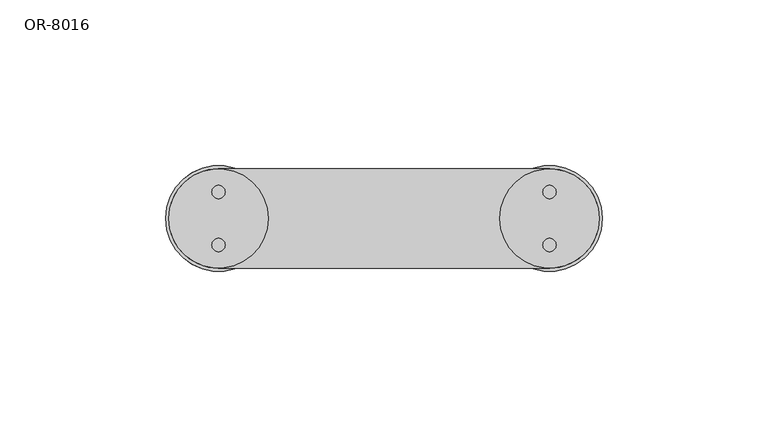
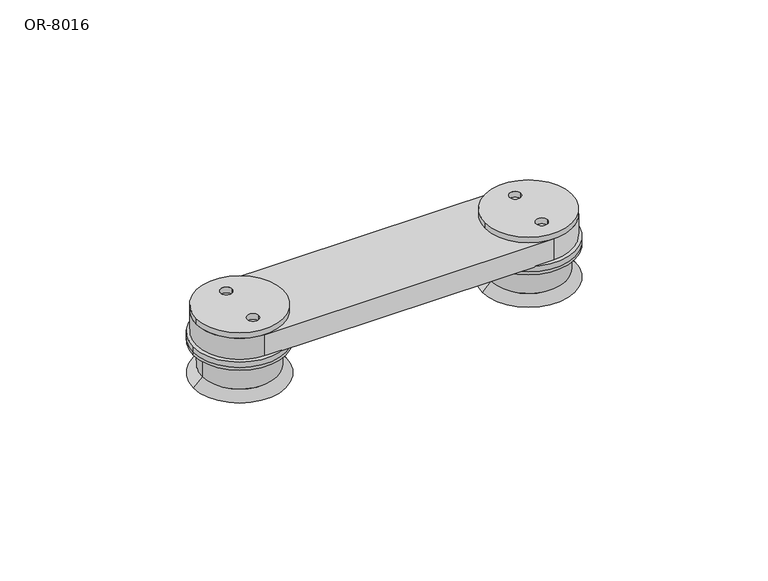
"""IFC4 building model written with IfcOpenShell, lengths in millimetres: proxy geometry, OR-8016."""

from ifc_helpers import new_model, si_unit, point, frame, frame_2d, origin, place, context, project, spatial, polyline, circle_curve, trimmed, segment, composite_curve, outline, extrude, source, transform, mapped, element, save
from ifc_brep_helpers import plane_surface, cylinder_surface, revolved_surface, advanced_brep


def or_8016_feafe27d(model_context):
    return source(origin(), model_context, "Body", "SolidModel", [
        extrude(outline(composite_curve([segment(trimmed(circle_curve(frame_2d((-50.0, 0.0)), 12.0), [point((-50.0, -12.0))], [point((-50.0, 12.0))], False, "CARTESIAN"), True, "CONTINUOUS"), segment(trimmed(circle_curve(frame_2d((-50.0, 0.0)), 12.0), [point((-50.0, 12.0))], [point((-50.0, -12.0))], False, "CARTESIAN"), True, "CONTINUOUS")], self_intersect=False), holes=[composite_curve([segment(trimmed(circle_curve(frame_2d((-50.0, 8.0)), 2.0), [point((-52.0, 8.0))], [point((-48.0, 8.0))], True, "CARTESIAN"), True, "CONTINUOUS"), segment(trimmed(circle_curve(frame_2d((-50.0, 8.0)), 2.0), [point((-48.0, 8.0))], [point((-52.0, 8.0))], True, "CARTESIAN"), True, "CONTINUOUS")], self_intersect=False), composite_curve([segment(trimmed(circle_curve(frame_2d((-50.0, -8.0)), 2.0), [point((-52.0, -8.0))], [point((-48.0, -8.0))], True, "CARTESIAN"), True, "CONTINUOUS"), segment(trimmed(circle_curve(frame_2d((-50.0, -8.0)), 2.0), [point((-48.0, -8.0))], [point((-52.0, -8.0))], True, "CARTESIAN"), True, "CONTINUOUS")], self_intersect=False)]), frame((0.0, 0.0, -12.0), z_axis=(0.0, 0.0, 1.0), x_axis=(1.0, 0.0, 0.0)), (0.0, 0.0, 1.0), 3.0),
        extrude(outline(composite_curve([segment(trimmed(circle_curve(frame_2d((50.0, 0.0)), 12.0), [point((50.0, -12.0))], [point((50.0, 12.0))], False, "CARTESIAN"), True, "CONTINUOUS"), segment(trimmed(circle_curve(frame_2d((50.0, 0.0)), 12.0), [point((50.0, 12.0))], [point((50.0, -12.0))], False, "CARTESIAN"), True, "CONTINUOUS")], self_intersect=False), holes=[composite_curve([segment(trimmed(circle_curve(frame_2d((50.0, 8.0)), 2.0), [point((48.0, 8.0))], [point((52.0, 8.0))], True, "CARTESIAN"), True, "CONTINUOUS"), segment(trimmed(circle_curve(frame_2d((50.0, 8.0)), 2.0), [point((52.0, 8.0))], [point((48.0, 8.0))], True, "CARTESIAN"), True, "CONTINUOUS")], self_intersect=False), composite_curve([segment(trimmed(circle_curve(frame_2d((50.0, -8.0)), 2.0), [point((48.0, -8.0))], [point((52.0, -8.0))], True, "CARTESIAN"), True, "CONTINUOUS"), segment(trimmed(circle_curve(frame_2d((50.0, -8.0)), 2.0), [point((52.0, -8.0))], [point((48.0, -8.0))], True, "CARTESIAN"), True, "CONTINUOUS")], self_intersect=False)]), frame((0.0, 0.0, -12.0), z_axis=(0.0, 0.0, 1.0), x_axis=(1.0, 0.0, 0.0)), (0.0, 0.0, 1.0), 3.0),
        extrude(outline(composite_curve([segment(trimmed(circle_curve(frame_2d((-50.0, 0.0)), 16.0), [point((-66.0, 0.0))], [point((-34.0, 0.0))], False, "CARTESIAN"), True, "CONTINUOUS"), segment(trimmed(circle_curve(frame_2d((-50.0, 0.0)), 16.0), [point((-34.0, 0.0))], [point((-66.0, 0.0))], False, "CARTESIAN"), True, "CONTINUOUS")], self_intersect=False), holes=[composite_curve([segment(trimmed(circle_curve(frame_2d((-50.0, 8.0)), 2.0), [point((-52.0, 8.0))], [point((-48.0, 8.0))], True, "CARTESIAN"), True, "CONTINUOUS"), segment(trimmed(circle_curve(frame_2d((-50.0, 8.0)), 2.0), [point((-48.0, 8.0))], [point((-52.0, 8.0))], True, "CARTESIAN"), True, "CONTINUOUS")], self_intersect=False), composite_curve([segment(trimmed(circle_curve(frame_2d((-50.0, -8.0)), 2.0), [point((-52.0, -8.0))], [point((-48.0, -8.0))], True, "CARTESIAN"), True, "CONTINUOUS"), segment(trimmed(circle_curve(frame_2d((-50.0, -8.0)), 2.0), [point((-48.0, -8.0))], [point((-52.0, -8.0))], True, "CARTESIAN"), True, "CONTINUOUS")], self_intersect=False)]), frame((0.0, 0.0, 1.0), z_axis=(0.0, 0.0, 1.0), x_axis=(1.0, 0.0, 0.0)), (0.0, 0.0, 1.0), 2.0),
        extrude(outline(composite_curve([segment(trimmed(circle_curve(frame_2d((50.0, 0.0)), 16.0), [point((34.0, 0.0))], [point((66.0, 0.0))], False, "CARTESIAN"), True, "CONTINUOUS"), segment(trimmed(circle_curve(frame_2d((50.0, 0.0)), 16.0), [point((66.0, 0.0))], [point((34.0, 0.0))], False, "CARTESIAN"), True, "CONTINUOUS")], self_intersect=False), holes=[composite_curve([segment(trimmed(circle_curve(frame_2d((50.0, 8.0)), 2.0), [point((48.0, 8.0))], [point((52.0, 8.0))], True, "CARTESIAN"), True, "CONTINUOUS"), segment(trimmed(circle_curve(frame_2d((50.0, 8.0)), 2.0), [point((52.0, 8.0))], [point((48.0, 8.0))], True, "CARTESIAN"), True, "CONTINUOUS")], self_intersect=False), composite_curve([segment(trimmed(circle_curve(frame_2d((50.0, -8.0)), 2.0), [point((48.0, -8.0))], [point((52.0, -8.0))], True, "CARTESIAN"), True, "CONTINUOUS"), segment(trimmed(circle_curve(frame_2d((50.0, -8.0)), 2.0), [point((52.0, -8.0))], [point((48.0, -8.0))], True, "CARTESIAN"), True, "CONTINUOUS")], self_intersect=False)]), frame((0.0, 0.0, 1.0), z_axis=(0.0, 0.0, 1.0), x_axis=(1.0, 0.0, 0.0)), (0.0, 0.0, 1.0), 2.0),
        extrude(outline(composite_curve([segment(trimmed(circle_curve(frame_2d((-50.0, 0.0)), 15.0), [point((-65.0, 0.0))], [point((-35.0, 0.0))], False, "CARTESIAN"), True, "CONTINUOUS"), segment(trimmed(circle_curve(frame_2d((-50.0, 0.0)), 15.0), [point((-35.0, 0.0))], [point((-65.0, 0.0))], False, "CARTESIAN"), True, "CONTINUOUS")], self_intersect=False), holes=[composite_curve([segment(trimmed(circle_curve(frame_2d((-50.0, 8.0)), 2.0), [point((-52.0, 8.0))], [point((-48.0, 8.0))], True, "CARTESIAN"), True, "CONTINUOUS"), segment(trimmed(circle_curve(frame_2d((-50.0, 8.0)), 2.0), [point((-48.0, 8.0))], [point((-52.0, 8.0))], True, "CARTESIAN"), True, "CONTINUOUS")], self_intersect=False), composite_curve([segment(trimmed(circle_curve(frame_2d((-50.0, -8.0)), 2.0), [point((-52.0, -8.0))], [point((-48.0, -8.0))], True, "CARTESIAN"), True, "CONTINUOUS"), segment(trimmed(circle_curve(frame_2d((-50.0, -8.0)), 2.0), [point((-48.0, -8.0))], [point((-52.0, -8.0))], True, "CARTESIAN"), True, "CONTINUOUS")], self_intersect=False)]), frame((0.0, 0.0, 11.0), z_axis=(0.0, 0.0, 1.0), x_axis=(1.0, 0.0, 0.0)), (0.0, 0.0, 1.0), 2.0),
        extrude(outline(composite_curve([segment(trimmed(circle_curve(frame_2d((50.0, 0.0)), 15.0), [point((35.0, 0.0))], [point((65.0, 0.0))], False, "CARTESIAN"), True, "CONTINUOUS"), segment(trimmed(circle_curve(frame_2d((50.0, 0.0)), 15.0), [point((65.0, 0.0))], [point((35.0, 0.0))], False, "CARTESIAN"), True, "CONTINUOUS")], self_intersect=False), holes=[composite_curve([segment(trimmed(circle_curve(frame_2d((50.0, 8.0)), 2.0), [point((48.0, 8.0))], [point((52.0, 8.0))], True, "CARTESIAN"), True, "CONTINUOUS"), segment(trimmed(circle_curve(frame_2d((50.0, 8.0)), 2.0), [point((52.0, 8.0))], [point((48.0, 8.0))], True, "CARTESIAN"), True, "CONTINUOUS")], self_intersect=False), composite_curve([segment(trimmed(circle_curve(frame_2d((50.0, -8.0)), 2.0), [point((48.0, -8.0))], [point((52.0, -8.0))], True, "CARTESIAN"), True, "CONTINUOUS"), segment(trimmed(circle_curve(frame_2d((50.0, -8.0)), 2.0), [point((52.0, -8.0))], [point((48.0, -8.0))], True, "CARTESIAN"), True, "CONTINUOUS")], self_intersect=False)]), frame((0.0, 0.0, 11.0), z_axis=(0.0, 0.0, 1.0), x_axis=(1.0, 0.0, 0.0)), (0.0, 0.0, 1.0), 2.0),
        extrude(outline(composite_curve([segment(trimmed(circle_curve(frame_2d((-50.0, 0.0)), 15.0), [point((-50.0, -15.0))], [point((-50.0, 15.0))], False, "CARTESIAN"), True, "CONTINUOUS"), segment(polyline([(-50.0, 15.0), (50.0, 15.0)]), True, "CONTINUOUS"), segment(trimmed(circle_curve(frame_2d((50.0, 0.0)), 15.0), [point((50.0, 15.0))], [point((50.0, -15.0))], False, "CARTESIAN"), True, "CONTINUOUS"), segment(polyline([(50.0, -15.0), (-50.0, -15.0)]), True, "CONTINUOUS")], self_intersect=False)), frame((0.0, 0.0, 3.0), z_axis=(0.0, 0.0, 1.0), x_axis=(1.0, 0.0, 0.0)), (0.0, 0.0, 1.0), 8.0),
        advanced_brep(
        [(-66.0, 0.0, 1.0), (-34.0, 0.0, 1.0), (-66.0, 0.0, -12.0), (-34.0, 0.0, -12.0), (-62.0, 0.0, -12.0), (-38.0, 0.0, -12.0), (-66.0, 0.0, 0.0), (-34.0, 0.0, 0.0), (-63.0, 0.0, -9.0), (-37.0, 0.0, -9.0), (-63.0, 0.0, 0.0), (-37.0, 0.0, 0.0), (-62.0, 0.0, -9.0), (-38.0, 0.0, -9.0)],
        [
            (0, 1, circle_curve(frame((-50.0, 0.0, 1.0), z_axis=(0.0, 0.0, 1.0), x_axis=(1.0, 0.0, 0.0)), 16.0)),
            (1, 0, circle_curve(frame((-50.0, 0.0, 1.0), z_axis=(0.0, 0.0, 1.0), x_axis=(1.0, 0.0, 0.0)), 16.0)),
            (2, 3, circle_curve(frame((-50.0, 0.0, -12.0), z_axis=(0.0, 0.0, -1.0), x_axis=(1.0, 0.0, 0.0)), 16.0)),
            (3, 2, circle_curve(frame((-50.0, 0.0, -12.0), z_axis=(0.0, 0.0, -1.0), x_axis=(1.0, 0.0, 0.0)), 16.0)),
            (4, 5, circle_curve(frame((-50.0, 0.0, -12.0), z_axis=(0.0, 0.0, 1.0), x_axis=(1.0, 0.0, 0.0)), 12.0)),
            (5, 4, circle_curve(frame((-50.0, 0.0, -12.0), z_axis=(0.0, 0.0, 1.0), x_axis=(1.0, 0.0, 0.0)), 12.0)),
            (0, 6),
            (6, 7, circle_curve(frame((-50.0, 0.0, 0.0), z_axis=(0.0, 0.0, 1.0), x_axis=(1.0, 0.0, 0.0)), 16.0)),
            (7, 1),
            (7, 6, circle_curve(frame((-50.0, 0.0, 0.0), z_axis=(0.0, 0.0, 1.0), x_axis=(1.0, 0.0, 0.0)), 16.0)),
            (2, 8),
            (8, 9, circle_curve(frame((-50.0, 0.0, -9.0), z_axis=(0.0, 0.0, -1.0), x_axis=(1.0, 0.0, 0.0)), 13.0)),
            (9, 3),
            (9, 8, circle_curve(frame((-50.0, 0.0, -9.0), z_axis=(0.0, 0.0, -1.0), x_axis=(1.0, 0.0, 0.0)), 13.0)),
            (10, 6),
            (7, 11),
            (11, 10, circle_curve(frame((-50.0, 0.0, 0.0), z_axis=(0.0, 0.0, 1.0), x_axis=(1.0, 0.0, 0.0)), 13.0)),
            (10, 11, circle_curve(frame((-50.0, 0.0, 0.0), z_axis=(0.0, 0.0, 1.0), x_axis=(1.0, 0.0, 0.0)), 13.0)),
            (8, 10),
            (11, 9),
            (12, 13, circle_curve(frame((-50.0, 0.0, -9.0), z_axis=(0.0, 0.0, -1.0), x_axis=(1.0, 0.0, 0.0)), 12.0)),
            (13, 12, circle_curve(frame((-50.0, 0.0, -9.0), z_axis=(0.0, 0.0, -1.0), x_axis=(1.0, 0.0, 0.0)), 12.0)),
            (13, 5),
            (4, 12),
        ],
        [
            plane_surface(frame((-34.0, 0.0, 1.0), z_axis=(0.0, 0.0, 1.0), x_axis=(0.0, 1.0, 0.0))),
            plane_surface(frame((-34.0, 0.0, -12.0), z_axis=(0.0, 0.0, -1.0), x_axis=(0.0, -1.0, 0.0))),
            cylinder_surface(frame((-50.0, 0.0, -12.0), z_axis=(0.0, 0.0, 1.0), x_axis=(1.0, 0.0, 0.0)), 16.0),
            revolved_surface(polyline([(-34.0, 0.0, -12.0), (-37.0, 0.0, -9.0)]), (-50.0, 0.0, 2438.4), (0.0, 0.0, 1.0)),
            plane_surface(frame((-50.0, 0.0, 0.0), z_axis=(0.0, 0.0, -1.0), x_axis=(1.0, 0.0, 0.0))),
            cylinder_surface(frame((-50.0, 0.0, 2438.4), z_axis=(0.0, 0.0, 1.0), x_axis=(1.0, 0.0, 0.0)), 13.0),
            plane_surface(frame((-38.0, 0.0, -9.0), z_axis=(0.0, 0.0, -1.0), x_axis=(0.0, 1.0, 0.0))),
            revolved_surface(polyline([(-38.0, 0.0, -9.0), (-38.0, 0.0, -12.0)]), (-50.0, 0.0, -12.0), (0.0, 0.0, 1.0)),
        ],
        [
            (0, [[1, 2]]),
            (1, [[3, 4], [5, 6]]),
            (2, [[-1, 7, 8, 9]]),
            (2, [[-2, -9, 10, -7]]),
            (3, [[11, 12, 13, -3]]),
            (3, [[-11, -4, -13, 14]]),
            (4, [[15, -10, 16, 17]]),
            (4, [[-15, 18, -16, -8]]),
            (5, [[-12, 19, -17, 20]]),
            (5, [[-14, -20, -18, -19]]),
            (6, [[21, 22]]),
            (7, [[-22, 23, -5, 24]]),
            (7, [[-21, -24, -6, -23]]),
        ],
    ),
        advanced_brep(
        [(34.0, 0.0, 1.0), (66.0, 0.0, 1.0), (34.0, 0.0, -12.0), (66.0, 0.0, -12.0), (38.0, 0.0, -12.0), (62.0, 0.0, -12.0), (34.0, 0.0, 0.0), (66.0, 0.0, 0.0), (37.0, 0.0, -9.0), (63.0, 0.0, -9.0), (37.0, 0.0, 0.0), (63.0, 0.0, 0.0), (38.0, 0.0, -9.0), (62.0, 0.0, -9.0)],
        [
            (0, 1, circle_curve(frame((50.0, 0.0, 1.0), z_axis=(0.0, 0.0, 1.0), x_axis=(1.0, 0.0, 0.0)), 16.0)),
            (1, 0, circle_curve(frame((50.0, 0.0, 1.0), z_axis=(0.0, 0.0, 1.0), x_axis=(1.0, 0.0, 0.0)), 16.0)),
            (2, 3, circle_curve(frame((50.0, 0.0, -12.0), z_axis=(0.0, 0.0, -1.0), x_axis=(1.0, 0.0, 0.0)), 16.0)),
            (3, 2, circle_curve(frame((50.0, 0.0, -12.0), z_axis=(0.0, 0.0, -1.0), x_axis=(1.0, 0.0, 0.0)), 16.0)),
            (4, 5, circle_curve(frame((50.0, 0.0, -12.0), z_axis=(0.0, 0.0, 1.0), x_axis=(1.0, 0.0, 0.0)), 12.0)),
            (5, 4, circle_curve(frame((50.0, 0.0, -12.0), z_axis=(0.0, 0.0, 1.0), x_axis=(1.0, 0.0, 0.0)), 12.0)),
            (0, 6),
            (6, 7, circle_curve(frame((50.0, 0.0, 0.0), z_axis=(0.0, 0.0, 1.0), x_axis=(1.0, 0.0, 0.0)), 16.0)),
            (7, 1),
            (7, 6, circle_curve(frame((50.0, 0.0, 0.0), z_axis=(0.0, 0.0, 1.0), x_axis=(1.0, 0.0, 0.0)), 16.0)),
            (2, 8),
            (8, 9, circle_curve(frame((50.0, 0.0, -9.0), z_axis=(0.0, 0.0, -1.0), x_axis=(1.0, 0.0, 0.0)), 13.0)),
            (9, 3),
            (9, 8, circle_curve(frame((50.0, 0.0, -9.0), z_axis=(0.0, 0.0, -1.0), x_axis=(1.0, 0.0, 0.0)), 13.0)),
            (10, 6),
            (7, 11),
            (11, 10, circle_curve(frame((50.0, 0.0, 0.0), z_axis=(0.0, 0.0, 1.0), x_axis=(1.0, 0.0, 0.0)), 13.0)),
            (10, 11, circle_curve(frame((50.0, 0.0, 0.0), z_axis=(0.0, 0.0, 1.0), x_axis=(1.0, 0.0, 0.0)), 13.0)),
            (8, 10),
            (11, 9),
            (12, 13, circle_curve(frame((50.0, 0.0, -9.0), z_axis=(0.0, 0.0, -1.0), x_axis=(1.0, 0.0, 0.0)), 12.0)),
            (13, 12, circle_curve(frame((50.0, 0.0, -9.0), z_axis=(0.0, 0.0, -1.0), x_axis=(1.0, 0.0, 0.0)), 12.0)),
            (13, 5),
            (4, 12),
        ],
        [
            plane_surface(frame((-34.0, 0.0, 1.0), z_axis=(0.0, 0.0, 1.0), x_axis=(0.0, 1.0, 0.0))),
            plane_surface(frame((-34.0, 0.0, -12.0), z_axis=(0.0, 0.0, -1.0), x_axis=(0.0, -1.0, 0.0))),
            cylinder_surface(frame((50.0, 0.0, 0.0), z_axis=(0.0, 0.0, 1.0), x_axis=(1.0, 0.0, 0.0)), 16.0),
            revolved_surface(polyline([(66.0, 0.0, -12.0), (63.0, 0.0, -9.0)]), (50.0, 0.0, 2438.4), (0.0, 0.0, 1.0)),
            plane_surface(frame((50.0, 0.0, 0.0), z_axis=(0.0, 0.0, -1.0), x_axis=(1.0, 0.0, 0.0))),
            cylinder_surface(frame((50.0, 0.0, 2438.4), z_axis=(0.0, 0.0, 1.0), x_axis=(1.0, 0.0, 0.0)), 13.0),
            plane_surface(frame((-38.0, 0.0, -9.0), z_axis=(0.0, 0.0, -1.0), x_axis=(0.0, 1.0, 0.0))),
            revolved_surface(polyline([(62.0, 0.0, -9.0), (62.0, 0.0, -12.0)]), (50.0, 0.0, 0.0), (0.0, 0.0, 1.0)),
        ],
        [
            (0, [[1, 2]]),
            (1, [[3, 4], [5, 6]]),
            (2, [[-1, 7, 8, 9]]),
            (2, [[-2, -9, 10, -7]]),
            (3, [[11, 12, 13, -3]]),
            (3, [[-11, -4, -13, 14]]),
            (4, [[15, -10, 16, 17]]),
            (4, [[-15, 18, -16, -8]]),
            (5, [[-12, 19, -17, 20]]),
            (5, [[-14, -20, -18, -19]]),
            (6, [[21, 22]]),
            (7, [[-22, 23, -5, 24]]),
            (7, [[-21, -24, -6, -23]]),
        ],
    ),
    ])


if __name__ == "__main__":
    model = new_model("IFC4")
    model_context = context("Model", 3, world=origin())
    ifc_project = project(units=[si_unit("LENGTHUNIT", "METRE", prefix="MILLI")], contexts=[model_context])
    site = spatial("IfcSite", under=ifc_project)
    building = spatial("IfcBuilding", under=site)
    placement = place(None, origin())
    or_8016_shape = or_8016_feafe27d(model_context)
    element("IfcBuildingElementProxy", 1, Name="OR-8016", ObjectType="OR-8016", at=placement, inside=building, context=model_context, shape_type="MappedRepresentation", body=[
        mapped(or_8016_shape, transform((0.0, 0.0, 0.0), x_axis=(1.0, 0.0, 0.0), y_axis=(0.0, 1.0, 0.0), z_axis=(0.0, 0.0, 1.0))),
    ])
    save(model, "model.ifc")
